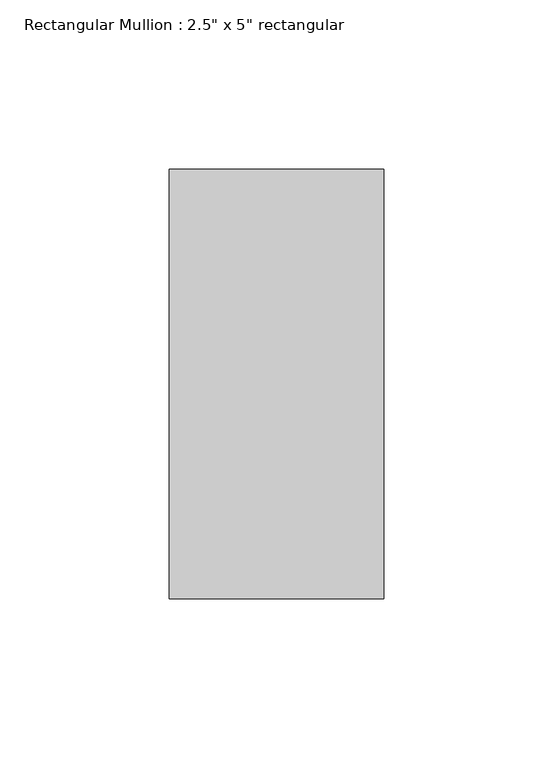
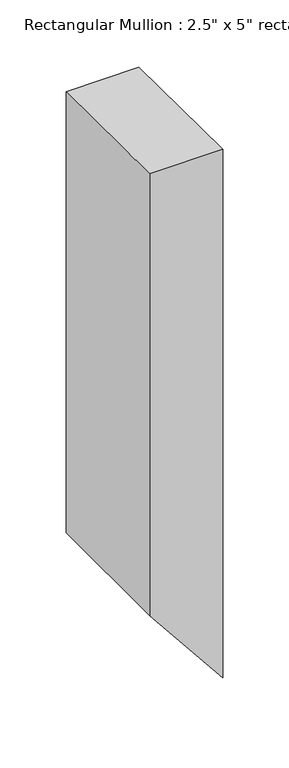
"""IFC4 building model written with IfcOpenShell, lengths in millimetres: member geometry."""

import ifcopenshell
import ifcopenshell.guid

model = None  # the IFC model being written
_history = None  # IfcOwnerHistory: only IFC2X3 demands one
_inside = {}  # id of a spatial element -> (the spatial element, [elements in it])
_under = {}  # id of a project, library or spatial element -> (it, [spatial elements below it])
_declared = {}  # id of a project -> (the project, [libraries it declares])
_typed = {}  # id of a type object -> (the type object, [elements of that type])
_made_of = {}  # id of a material, layer set ... -> (it, [elements and type objects made of it])


def new_model(schema):
    """Start an empty IFC model of exactly this schema.

    Asked for "IFC4X3", IfcOpenShell would pick the latest addendum, in which some entities
    have other attributes; the version numbers below select the first issue.
    IFC2X3 requires an IfcOwnerHistory on every rooted entity: one is made here for all.
    """
    global model, _history
    if schema == "IFC4X3":
        model = ifcopenshell.file(schema_version=(4, 3, 0, 0))
    else:
        model = ifcopenshell.file(schema=schema)
    _inside.clear()
    _under.clear()
    _declared.clear()
    _typed.clear()
    _made_of.clear()
    _history = None
    if model.schema == "IFC2X3":
        org = make("IfcOrganization", Name="unknown")
        user = make(
            "IfcPersonAndOrganization",
            ThePerson=make("IfcPerson", FamilyName="unknown"),
            TheOrganization=org,
        )
        app = make(
            "IfcApplication",
            ApplicationDeveloper=org,
            Version="unknown",
            ApplicationFullName="unknown",
            ApplicationIdentifier="unknown",
        )
        _history = make(
            "IfcOwnerHistory",
            OwningUser=user,
            OwningApplication=app,
            ChangeAction="ADDED",
            CreationDate=0,
        )
    return model


def make(cls, **values):
    """One entity of the class cls with the attributes given. An attribute that is None is left unset."""
    return model.create_entity(
        cls, **{name: value for name, value in values.items() if value is not None}
    )


def rooted(cls, **values):
    """An entity with a GlobalId (a new one), such as an element, a storey or a relation."""
    return make(cls, GlobalId=ifcopenshell.guid.new(), OwnerHistory=_history, **values)


def si_unit(unit_type, name, prefix=None):
    """IfcSIUnit, for example si_unit("LENGTHUNIT", "METRE", prefix="MILLI")."""
    return make("IfcSIUnit", UnitType=unit_type, Prefix=prefix, Name=name)


def assignment(units):
    """IfcUnitAssignment: the units of a project."""
    return None if units is None else make("IfcUnitAssignment", Units=units)


def point(xyz):
    """IfcCartesianPoint."""
    return None if xyz is None else make("IfcCartesianPoint", Coordinates=xyz)


def direction(xyz):
    """IfcDirection."""
    return None if xyz is None else make("IfcDirection", DirectionRatios=xyz)


def frame(location, z_axis=None, x_axis=None):
    """IfcAxis2Placement3D, a coordinate frame: its origin and axes. An axis left out is left unset."""
    return make(
        "IfcAxis2Placement3D",
        Location=point(location),
        Axis=direction(z_axis),
        RefDirection=direction(x_axis),
    )


def origin():
    """The frame at (0, 0, 0) with its axes left unset."""
    return frame((0.0, 0.0, 0.0))


def place(relative_to, where):
    """IfcLocalPlacement: puts the frame where relative to a parent placement (None: the world)."""
    return make(
        "IfcLocalPlacement", PlacementRelTo=relative_to, RelativePlacement=where
    )


def context(
    kind, dimensions, precision=None, world=None, true_north=None, identifier=None
):
    """IfcGeometricRepresentationContext, for example the 3D "Model" context."""
    return make(
        "IfcGeometricRepresentationContext",
        ContextIdentifier=identifier,
        ContextType=kind,
        CoordinateSpaceDimension=dimensions,
        Precision=precision,
        WorldCoordinateSystem=world,
        TrueNorth=true_north,
    )


def project(units=None, contexts=None):
    """IfcProject with its units and contexts."""
    return rooted(
        "IfcProject",
        Name="project",
        RepresentationContexts=contexts,
        UnitsInContext=assignment(units),
    )


def spatial(cls, under=None, at=None, **own):
    """A site, building, storey or space (cls), placed at a placement, below another one or the project."""
    s = rooted(cls, ObjectPlacement=at, **own)
    if under is not None:
        _under.setdefault(under.id(), (under, []))[1].append(s)
    return s


def faces_of(points, faces, orient=None, outer=None):
    """IfcFace entities. A face is a list of loops; a loop is a list of indices into points, from 0.

    orient and outer hold one flag for each loop. By default every Orientation is true, the
    first loop of a face is its IfcFaceOuterBound and the others are IfcFaceBound.
    """
    made = []
    for i, loops in enumerate(faces):
        bounds = []
        for j, loop in enumerate(loops):
            is_outer = j == 0 if outer is None else outer[i][j]
            bounds.append(
                make(
                    "IfcFaceOuterBound" if is_outer else "IfcFaceBound",
                    Bound=make("IfcPolyLoop", Polygon=[points[k] for k in loop]),
                    Orientation=True if orient is None else orient[i][j],
                )
            )
        made.append(make("IfcFace", Bounds=bounds))
    return made


def faceted_brep(points, faces, orient=None, outer=None, voids=None):
    """IfcFacetedBrep: a solid bounded by flat faces; with voids (closed shells), ...WithVoids."""
    shared = [point(p) for p in points]
    hull = make("IfcClosedShell", CfsFaces=faces_of(shared, faces, orient, outer))
    if voids is None:
        return make("IfcFacetedBrep", Outer=hull)
    return make(
        "IfcFacetedBrepWithVoids",
        Outer=hull,
        Voids=[
            make(cls, CfsFaces=faces_of(shared, fs, o, b)) for cls, fs, o, b in voids
        ],
    )


def shape(context_of_items, identifier, shape_type, items):
    """IfcShapeRepresentation: the items that make up one representation, for example the "Body"."""
    return make(
        "IfcShapeRepresentation",
        ContextOfItems=context_of_items,
        RepresentationIdentifier=identifier,
        RepresentationType=shape_type,
        Items=items,
    )


def source(mapping_origin, context_of_items, identifier, shape_type, items):
    """IfcRepresentationMap: a shape defined once, which mapped items show again and again."""
    return make(
        "IfcRepresentationMap",
        MappingOrigin=mapping_origin,
        MappedRepresentation=shape(context_of_items, identifier, shape_type, items),
    )


def transform(
    local_origin,
    x_axis=None,
    y_axis=None,
    z_axis=None,
    scale=None,
    scale2=None,
    scale3=None,
    uniform=True,
):
    """IfcCartesianTransformationOperator3D, or its non-uniform kind. x_axis, y_axis, z_axis: its Axis1, 2, 3."""
    if uniform:
        return make(
            "IfcCartesianTransformationOperator3D",
            Axis1=direction(x_axis),
            Axis2=direction(y_axis),
            LocalOrigin=point(local_origin),
            Scale=scale,
            Axis3=direction(z_axis),
        )
    return make(
        "IfcCartesianTransformationOperator3DnonUniform",
        Axis1=direction(x_axis),
        Axis2=direction(y_axis),
        LocalOrigin=point(local_origin),
        Scale=scale,
        Axis3=direction(z_axis),
        Scale2=scale2,
        Scale3=scale3,
    )


def mapped(mapping_source, mapping_target):
    """IfcMappedItem: shows the shape of a source again, moved by a transform."""
    return make(
        "IfcMappedItem", MappingSource=mapping_source, MappingTarget=mapping_target
    )


def made_of(thing, what):
    """Note that an element or type object is made of a material, layer set ...; save() writes the relation."""
    if what is not None:
        _made_of.setdefault(what.id(), (what, []))[1].append(thing)
    return thing


def element(
    cls,
    number,
    at=None,
    inside=None,
    cuts=None,
    type_object=None,
    material=None,
    context=None,
    identifier="Body",
    shape_type=None,
    held_by="IfcProductDefinitionShape",
    body=None,
    shapes=None,
    **own,
):
    """One element of the class cls, such as IfcWall. Its Tag is "e" and its number.

    at: its placement. inside: the storey or other place that contains it. cuts: it is an
    opening in that element (IfcRelVoidsElement). A single representation is given by context,
    identifier, shape_type and body (its items); several are given by shapes. held_by: the class
    of the entity that holds the representations. save() writes the other relations.
    """
    e = rooted(cls, Tag="e%d" % number, ObjectPlacement=at, **own)
    if body is not None:
        shapes = [shape(context, identifier, shape_type, body)]
    if shapes is not None:
        e.Representation = make(held_by, Representations=shapes)
    if inside is not None:
        _inside.setdefault(inside.id(), (inside, []))[1].append(e)
    if cuts is not None:
        rooted(
            "IfcRelVoidsElement", RelatingBuildingElement=cuts, RelatedOpeningElement=e
        )
    if type_object is not None:
        _typed.setdefault(type_object.id(), (type_object, []))[1].append(e)
    return made_of(e, material)


def aggregate(whole, parts):
    """IfcRelAggregates: a whole, such as a stair, and the parts it consists of."""
    return rooted("IfcRelAggregates", RelatingObject=whole, RelatedObjects=parts)


def save(model, path):
    """Write the relations noted so far, then the file.

    IfcRelAggregates (storeys below a building ...), IfcRelContainedInSpatialStructure (elements
    in a storey), IfcRelDefinesByType, IfcRelAssociatesMaterial and IfcRelDeclares: one each for
    every whole, place, type object, material and project.
    """
    for whole, parts in _under.values():
        aggregate(whole, parts)
    for where, things in _inside.values():
        rooted(
            "IfcRelContainedInSpatialStructure",
            RelatedElements=things,
            RelatingStructure=where,
        )
    for kind, things in _typed.values():
        rooted("IfcRelDefinesByType", RelatedObjects=things, RelatingType=kind)
    for what, things in _made_of.values():
        rooted("IfcRelAssociatesMaterial", RelatedObjects=things, RelatingMaterial=what)
    for by, libraries in _declared.values():
        rooted("IfcRelDeclares", RelatingContext=by, RelatedDefinitions=libraries)
    model.write(path)


def member_be2625d0(model_context):
    return source(origin(), model_context, "Body", "Brep", [
        faceted_brep([(-63.5, 63.5, -0.8451107), (0.0, 63.5, -0.6553431), (0.0, 63.5, -487.8199283), (-63.5, 63.5, -408.2525659), (-63.5, -63.5, 0.4655755), (-63.5, -63.5, -408.2525659), (0.0, -63.5, 0.6553431), (0.0, -63.5, -487.8199283)], [[[0, 1, 2, 3]], [[4, 0, 3, 5]], [[6, 4, 5, 7]], [[1, 6, 7, 2]], [[1, 0, 4, 6]], [[2, 7, 5, 3]]]),
    ])


if __name__ == "__main__":
    model = new_model("IFC4")
    model_context = context("Model", 3, world=origin())
    ifc_project = project(units=[si_unit("LENGTHUNIT", "METRE", prefix="MILLI")], contexts=[model_context])
    site = spatial("IfcSite", under=ifc_project)
    building = spatial("IfcBuilding", under=site)
    placement = place(None, origin())
    member_shape = member_be2625d0(model_context)
    element("IfcMember", 1, ObjectType="Rectangular Mullion : 2.5\" x 5\" rectangular", at=placement, inside=building, context=model_context, shape_type="MappedRepresentation", body=[
        mapped(member_shape, transform((0.0, 0.0, 0.0), x_axis=(1.0, 0.0, 0.0), y_axis=(0.0, 1.0, 0.0), z_axis=(0.0, 0.0, 1.0))),
    ])
    save(model, "model.ifc")
